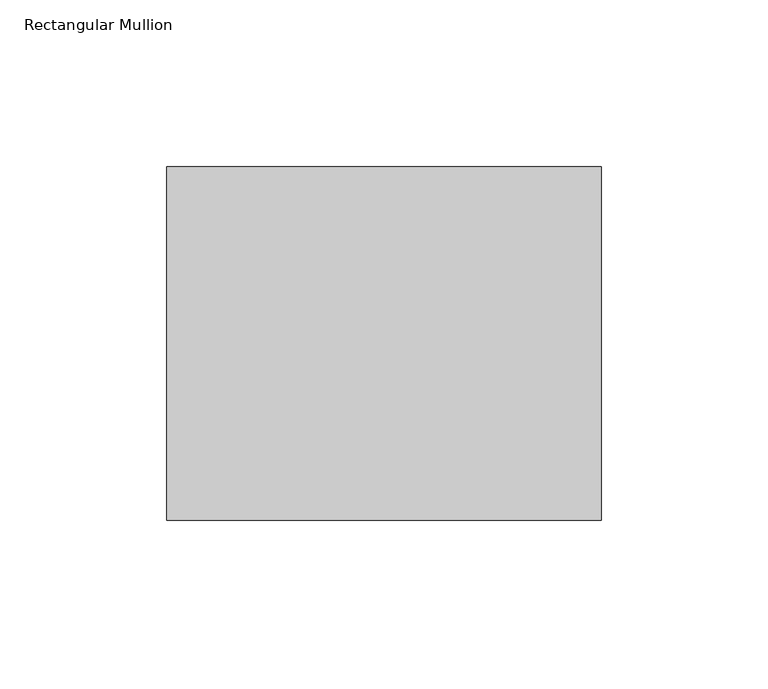
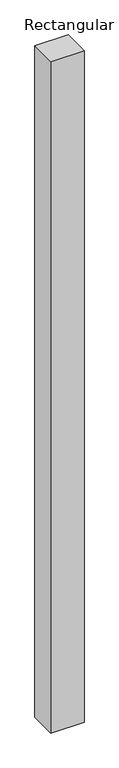
"""IFC4 building model written with IfcOpenShell, lengths in millimetres: member geometry, Rectangular Mullion."""

import ifcopenshell
import ifcopenshell.guid

model = None  # the IFC model being written
_history = None  # IfcOwnerHistory: only IFC2X3 demands one
_inside = {}  # id of a spatial element -> (the spatial element, [elements in it])
_under = {}  # id of a project, library or spatial element -> (it, [spatial elements below it])
_declared = {}  # id of a project -> (the project, [libraries it declares])
_typed = {}  # id of a type object -> (the type object, [elements of that type])
_made_of = {}  # id of a material, layer set ... -> (it, [elements and type objects made of it])


def new_model(schema):
    """Start an empty IFC model of exactly this schema.

    Asked for "IFC4X3", IfcOpenShell would pick the latest addendum, in which some entities
    have other attributes; the version numbers below select the first issue.
    IFC2X3 requires an IfcOwnerHistory on every rooted entity: one is made here for all.
    """
    global model, _history
    if schema == "IFC4X3":
        model = ifcopenshell.file(schema_version=(4, 3, 0, 0))
    else:
        model = ifcopenshell.file(schema=schema)
    _inside.clear()
    _under.clear()
    _declared.clear()
    _typed.clear()
    _made_of.clear()
    _history = None
    if model.schema == "IFC2X3":
        org = make("IfcOrganization", Name="unknown")
        user = make(
            "IfcPersonAndOrganization",
            ThePerson=make("IfcPerson", FamilyName="unknown"),
            TheOrganization=org,
        )
        app = make(
            "IfcApplication",
            ApplicationDeveloper=org,
            Version="unknown",
            ApplicationFullName="unknown",
            ApplicationIdentifier="unknown",
        )
        _history = make(
            "IfcOwnerHistory",
            OwningUser=user,
            OwningApplication=app,
            ChangeAction="ADDED",
            CreationDate=0,
        )
    return model


def make(cls, **values):
    """One entity of the class cls with the attributes given. An attribute that is None is left unset."""
    return model.create_entity(
        cls, **{name: value for name, value in values.items() if value is not None}
    )


def rooted(cls, **values):
    """An entity with a GlobalId (a new one), such as an element, a storey or a relation."""
    return make(cls, GlobalId=ifcopenshell.guid.new(), OwnerHistory=_history, **values)


def si_unit(unit_type, name, prefix=None):
    """IfcSIUnit, for example si_unit("LENGTHUNIT", "METRE", prefix="MILLI")."""
    return make("IfcSIUnit", UnitType=unit_type, Prefix=prefix, Name=name)


def assignment(units):
    """IfcUnitAssignment: the units of a project."""
    return None if units is None else make("IfcUnitAssignment", Units=units)


def point(xyz):
    """IfcCartesianPoint."""
    return None if xyz is None else make("IfcCartesianPoint", Coordinates=xyz)


def direction(xyz):
    """IfcDirection."""
    return None if xyz is None else make("IfcDirection", DirectionRatios=xyz)


def frame(location, z_axis=None, x_axis=None):
    """IfcAxis2Placement3D, a coordinate frame: its origin and axes. An axis left out is left unset."""
    return make(
        "IfcAxis2Placement3D",
        Location=point(location),
        Axis=direction(z_axis),
        RefDirection=direction(x_axis),
    )


def origin():
    """The frame at (0, 0, 0) with its axes left unset."""
    return frame((0.0, 0.0, 0.0))


def place(relative_to, where):
    """IfcLocalPlacement: puts the frame where relative to a parent placement (None: the world)."""
    return make(
        "IfcLocalPlacement", PlacementRelTo=relative_to, RelativePlacement=where
    )


def context(
    kind, dimensions, precision=None, world=None, true_north=None, identifier=None
):
    """IfcGeometricRepresentationContext, for example the 3D "Model" context."""
    return make(
        "IfcGeometricRepresentationContext",
        ContextIdentifier=identifier,
        ContextType=kind,
        CoordinateSpaceDimension=dimensions,
        Precision=precision,
        WorldCoordinateSystem=world,
        TrueNorth=true_north,
    )


def project(units=None, contexts=None):
    """IfcProject with its units and contexts."""
    return rooted(
        "IfcProject",
        Name="project",
        RepresentationContexts=contexts,
        UnitsInContext=assignment(units),
    )


def spatial(cls, under=None, at=None, **own):
    """A site, building, storey or space (cls), placed at a placement, below another one or the project."""
    s = rooted(cls, ObjectPlacement=at, **own)
    if under is not None:
        _under.setdefault(under.id(), (under, []))[1].append(s)
    return s


def polyline(points):
    """IfcPolyline through the points."""
    return make("IfcPolyline", Points=[point(p) for p in points])


def outline(outer, holes=None, kind="AREA"):
    """IfcArbitraryClosedProfileDef: a profile drawn as a closed curve; with holes, ...WithVoids."""
    if holes is None:
        return make("IfcArbitraryClosedProfileDef", ProfileType=kind, OuterCurve=outer)
    return make(
        "IfcArbitraryProfileDefWithVoids",
        ProfileType=kind,
        OuterCurve=outer,
        InnerCurves=holes,
    )


def extrude(swept, where, along, depth):
    """IfcExtrudedAreaSolid: the profile swept, set in the frame where, extruded along a direction by depth."""
    return make(
        "IfcExtrudedAreaSolid",
        SweptArea=swept,
        Position=where,
        ExtrudedDirection=direction(along),
        Depth=depth,
    )


def shape(context_of_items, identifier, shape_type, items):
    """IfcShapeRepresentation: the items that make up one representation, for example the "Body"."""
    return make(
        "IfcShapeRepresentation",
        ContextOfItems=context_of_items,
        RepresentationIdentifier=identifier,
        RepresentationType=shape_type,
        Items=items,
    )


def source(mapping_origin, context_of_items, identifier, shape_type, items):
    """IfcRepresentationMap: a shape defined once, which mapped items show again and again."""
    return make(
        "IfcRepresentationMap",
        MappingOrigin=mapping_origin,
        MappedRepresentation=shape(context_of_items, identifier, shape_type, items),
    )


def transform(
    local_origin,
    x_axis=None,
    y_axis=None,
    z_axis=None,
    scale=None,
    scale2=None,
    scale3=None,
    uniform=True,
):
    """IfcCartesianTransformationOperator3D, or its non-uniform kind. x_axis, y_axis, z_axis: its Axis1, 2, 3."""
    if uniform:
        return make(
            "IfcCartesianTransformationOperator3D",
            Axis1=direction(x_axis),
            Axis2=direction(y_axis),
            LocalOrigin=point(local_origin),
            Scale=scale,
            Axis3=direction(z_axis),
        )
    return make(
        "IfcCartesianTransformationOperator3DnonUniform",
        Axis1=direction(x_axis),
        Axis2=direction(y_axis),
        LocalOrigin=point(local_origin),
        Scale=scale,
        Axis3=direction(z_axis),
        Scale2=scale2,
        Scale3=scale3,
    )


def mapped(mapping_source, mapping_target):
    """IfcMappedItem: shows the shape of a source again, moved by a transform."""
    return make(
        "IfcMappedItem", MappingSource=mapping_source, MappingTarget=mapping_target
    )


def made_of(thing, what):
    """Note that an element or type object is made of a material, layer set ...; save() writes the relation."""
    if what is not None:
        _made_of.setdefault(what.id(), (what, []))[1].append(thing)
    return thing


def element(
    cls,
    number,
    at=None,
    inside=None,
    cuts=None,
    type_object=None,
    material=None,
    context=None,
    identifier="Body",
    shape_type=None,
    held_by="IfcProductDefinitionShape",
    body=None,
    shapes=None,
    **own,
):
    """One element of the class cls, such as IfcWall. Its Tag is "e" and its number.

    at: its placement. inside: the storey or other place that contains it. cuts: it is an
    opening in that element (IfcRelVoidsElement). A single representation is given by context,
    identifier, shape_type and body (its items); several are given by shapes. held_by: the class
    of the entity that holds the representations. save() writes the other relations.
    """
    e = rooted(cls, Tag="e%d" % number, ObjectPlacement=at, **own)
    if body is not None:
        shapes = [shape(context, identifier, shape_type, body)]
    if shapes is not None:
        e.Representation = make(held_by, Representations=shapes)
    if inside is not None:
        _inside.setdefault(inside.id(), (inside, []))[1].append(e)
    if cuts is not None:
        rooted(
            "IfcRelVoidsElement", RelatingBuildingElement=cuts, RelatedOpeningElement=e
        )
    if type_object is not None:
        _typed.setdefault(type_object.id(), (type_object, []))[1].append(e)
    return made_of(e, material)


def aggregate(whole, parts):
    """IfcRelAggregates: a whole, such as a stair, and the parts it consists of."""
    return rooted("IfcRelAggregates", RelatingObject=whole, RelatedObjects=parts)


def save(model, path):
    """Write the relations noted so far, then the file.

    IfcRelAggregates (storeys below a building ...), IfcRelContainedInSpatialStructure (elements
    in a storey), IfcRelDefinesByType, IfcRelAssociatesMaterial and IfcRelDeclares: one each for
    every whole, place, type object, material and project.
    """
    for whole, parts in _under.values():
        aggregate(whole, parts)
    for where, things in _inside.values():
        rooted(
            "IfcRelContainedInSpatialStructure",
            RelatedElements=things,
            RelatingStructure=where,
        )
    for kind, things in _typed.values():
        rooted("IfcRelDefinesByType", RelatedObjects=things, RelatingType=kind)
    for what, things in _made_of.values():
        rooted("IfcRelAssociatesMaterial", RelatedObjects=things, RelatingMaterial=what)
    for by, libraries in _declared.values():
        rooted("IfcRelDeclares", RelatingContext=by, RelatedDefinitions=libraries)
    model.write(path)


def rectangular_mullion_7722bcbd(model_context):
    return source(origin(), model_context, "Body", "SweptSolid", [
        extrude(outline(polyline([(0.0, -52.8779994), (-130.0, -52.8779994), (-130.0, 52.8779994), (0.0, 52.8779994), (0.0, -52.8779994)])), frame((0.0, 0.0, -2760.0), z_axis=(0.0, 0.0, 1.0), x_axis=(1.0, 0.0, 0.0)), (0.0, 0.0, 1.0), 2760.0),
    ])


if __name__ == "__main__":
    model = new_model("IFC4")
    model_context = context("Model", 3, world=origin())
    ifc_project = project(units=[si_unit("LENGTHUNIT", "METRE", prefix="MILLI")], contexts=[model_context])
    site = spatial("IfcSite", under=ifc_project)
    building = spatial("IfcBuilding", under=site)
    placement = place(None, origin())
    rectangular_mullion_shape = rectangular_mullion_7722bcbd(model_context)
    element("IfcMember", 1, ObjectType="Rectangular Mullion", at=placement, inside=building, context=model_context, shape_type="MappedRepresentation", body=[
        mapped(rectangular_mullion_shape, transform((0.0, 0.0, 0.0), x_axis=(1.0, 0.0, 0.0), y_axis=(0.0, 1.0, 0.0), z_axis=(0.0, 0.0, 1.0))),
    ])
    save(model, "model.ifc")
